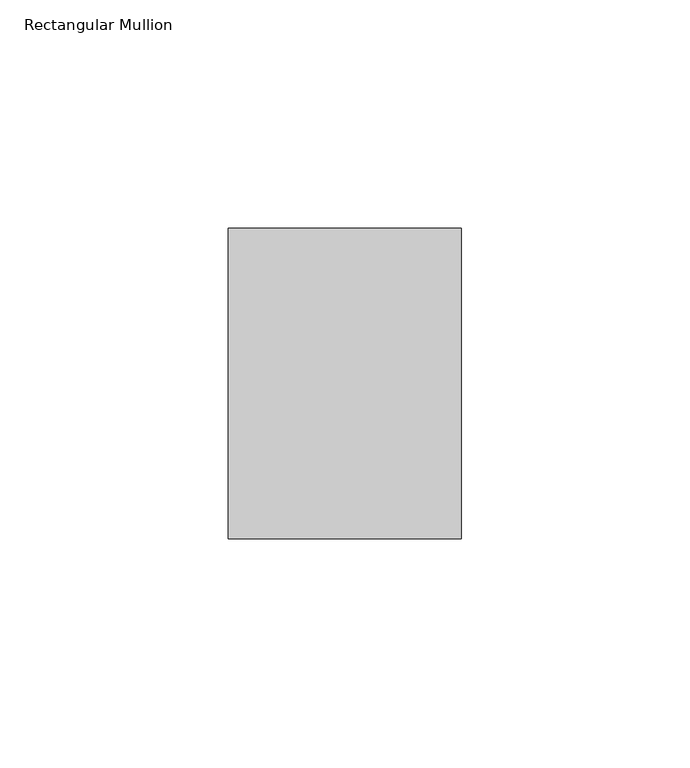
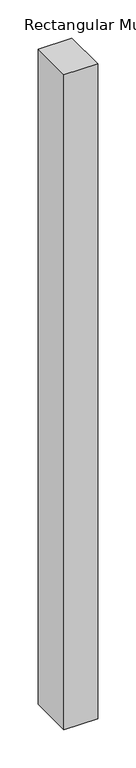
"""IFC4 building model written with IfcOpenShell, lengths in millimetres: member geometry, Rectangular Mullion."""

from ifc_helpers import new_model, si_unit, frame, origin, place, context, project, spatial, polyline, outline, extrude, source, transform, mapped, element, save


def rectangular_mullion_c1aea8c4(model_context):
    return source(origin(), model_context, "Body", "SweptSolid", [
        extrude(outline(polyline([(0.0, 68.0), (0.0, 0.0), (-51.0, 0.0), (-51.0, 68.0), (0.0, 68.0)])), frame((0.0, 0.0, -1050.0), z_axis=(0.0, 0.0, 1.0), x_axis=(1.0, 0.0, 0.0)), (0.0, 0.0, 1.0), 1050.0),
    ])


if __name__ == "__main__":
    model = new_model("IFC4")
    model_context = context("Model", 3, world=origin())
    ifc_project = project(units=[si_unit("LENGTHUNIT", "METRE", prefix="MILLI")], contexts=[model_context])
    site = spatial("IfcSite", under=ifc_project)
    building = spatial("IfcBuilding", under=site)
    placement = place(None, origin())
    rectangular_mullion_shape = rectangular_mullion_c1aea8c4(model_context)
    element("IfcMember", 1, ObjectType="Rectangular Mullion", at=placement, inside=building, context=model_context, shape_type="MappedRepresentation", body=[
        mapped(rectangular_mullion_shape, transform((0.0, 0.0, 0.0), x_axis=(1.0, 0.0, 0.0), y_axis=(0.0, 1.0, 0.0), z_axis=(0.0, 0.0, 1.0))),
    ])
    save(model, "model.ifc")
